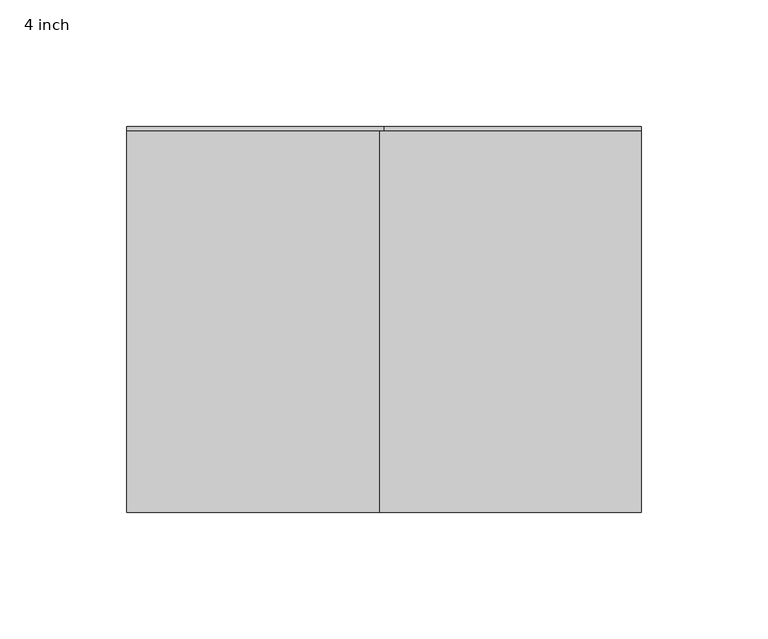
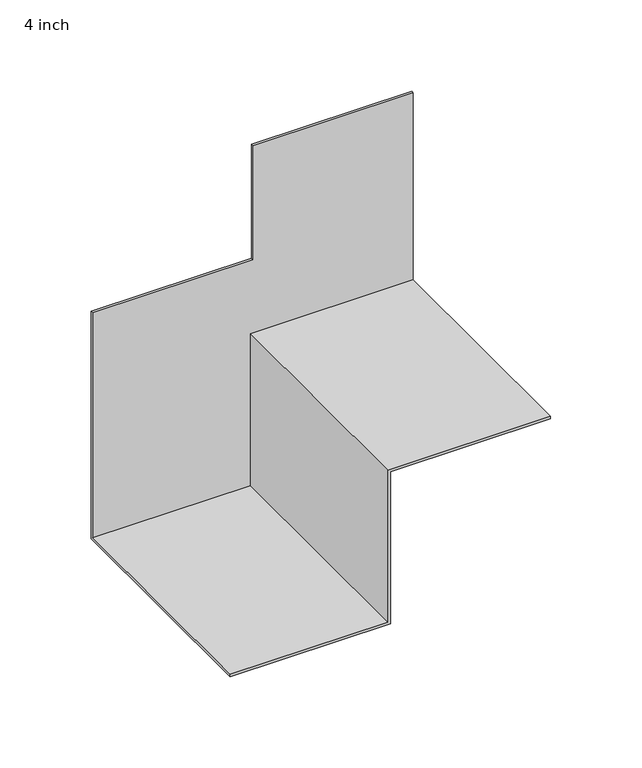
"""IFC4 building model written with IfcOpenShell, lengths in millimetres: proxy geometry, 4 inch."""

from ifc_helpers import new_model, si_unit, origin, place, context, project, spatial, faceted_brep, source, transform, mapped, element, save


def proxy_4_inch_c3eb061e(model_context):
    return source(origin(), model_context, "Body", "Brep", [
        faceted_brep([(0.0, -152.4, 0.0), (0.0, -152.4, 101.6), (101.6, -152.4, 101.6), (101.6, -152.4, 103.1875), (-1.5875, -152.4, 103.1875), (-1.5875, -152.4, 1.5875), (-101.6, -152.4, 1.5875), (-101.6, -152.4, 0.0), (0.0, 0.0, 0.0), (-101.6, 0.0, 0.0), (-101.6, 0.0, 152.4), (0.0, 0.0, 152.4), (0.0, 0.0, 228.6), (101.6, 0.0, 228.6), (101.6, 0.0, 101.6), (0.0, 0.0, 101.6), (0.0, -1.5875, 0.0), (0.0, -1.5875, 101.6), (101.6, -1.5875, 228.6), (101.6, -1.5875, 103.1875), (-1.5875, -1.5875, 103.1875), (-1.5875, -1.5875, 1.5875), (-101.6, -1.5875, 1.5875), (-101.6, -1.5875, 152.4), (0.0, -1.5875, 228.6), (0.0, -1.5875, 152.4)], [[[0, 1, 2, 3, 4, 5, 6, 7]], [[8, 9, 10, 11, 12, 13, 14, 15]], [[1, 0, 16, 8, 15, 17]], [[14, 2, 1, 17, 15]], [[3, 2, 14, 13, 18, 19]], [[4, 3, 19, 20]], [[5, 4, 20, 21]], [[6, 5, 21, 22]], [[7, 6, 22, 23, 10, 9]], [[0, 7, 9, 8, 16]], [[18, 24, 25, 23, 22, 21, 20, 19]], [[24, 18, 13, 12]], [[25, 24, 12, 11]], [[23, 25, 11, 10]]]),
    ])


if __name__ == "__main__":
    model = new_model("IFC4")
    model_context = context("Model", 3, world=origin())
    ifc_project = project(units=[si_unit("LENGTHUNIT", "METRE", prefix="MILLI")], contexts=[model_context])
    site = spatial("IfcSite", under=ifc_project)
    building = spatial("IfcBuilding", under=site)
    placement = place(None, origin())
    proxy_4_inch_shape = proxy_4_inch_c3eb061e(model_context)
    element("IfcBuildingElementProxy", 1, Name="4 inch", ObjectType="4 inch", at=placement, inside=building, context=model_context, shape_type="MappedRepresentation", body=[
        mapped(proxy_4_inch_shape, transform((0.0, 0.0, 0.0), x_axis=(1.0, 0.0, 0.0), y_axis=(0.0, 1.0, 0.0), z_axis=(0.0, 0.0, 1.0))),
    ])
    save(model, "model.ifc")
